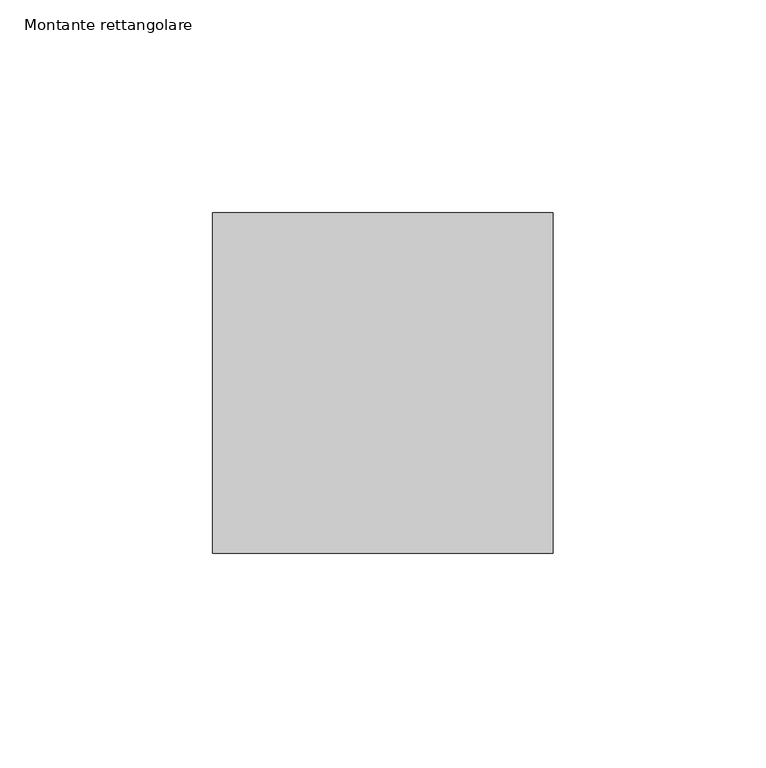
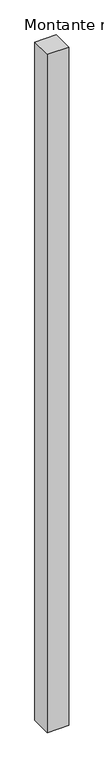
"""IFC4 building model written with IfcOpenShell, lengths in millimetres: member geometry, Montante rettangolare."""

from ifc_helpers import new_model, si_unit, frame, origin, place, context, project, spatial, polyline, outline, extrude, source, transform, mapped, element, save


def montante_rettangolare_0c9ec43a(model_context):
    return source(origin(), model_context, "Body", "SweptSolid", [
        extrude(outline(polyline([(0.0, 40.0), (0.0, -40.0), (-80.0, -40.0), (-80.0, 40.0), (0.0, 40.0)])), frame((0.0, 0.0, -2680.5003795), z_axis=(0.0, 0.0, 1.0), x_axis=(1.0, 0.0, 0.0)), (0.0, 0.0, 1.0), 2680.5003795),
    ])


if __name__ == "__main__":
    model = new_model("IFC4")
    model_context = context("Model", 3, world=origin())
    ifc_project = project(units=[si_unit("LENGTHUNIT", "METRE", prefix="MILLI")], contexts=[model_context])
    site = spatial("IfcSite", under=ifc_project)
    building = spatial("IfcBuilding", under=site)
    placement = place(None, origin())
    montante_rettangolare_shape = montante_rettangolare_0c9ec43a(model_context)
    element("IfcMember", 1, ObjectType="Montante rettangolare", at=placement, inside=building, context=model_context, shape_type="MappedRepresentation", body=[
        mapped(montante_rettangolare_shape, transform((0.0, 0.0, 0.0), x_axis=(1.0, 0.0, 0.0), y_axis=(0.0, 1.0, 0.0), z_axis=(0.0, 0.0, 1.0))),
    ])
    save(model, "model.ifc")
